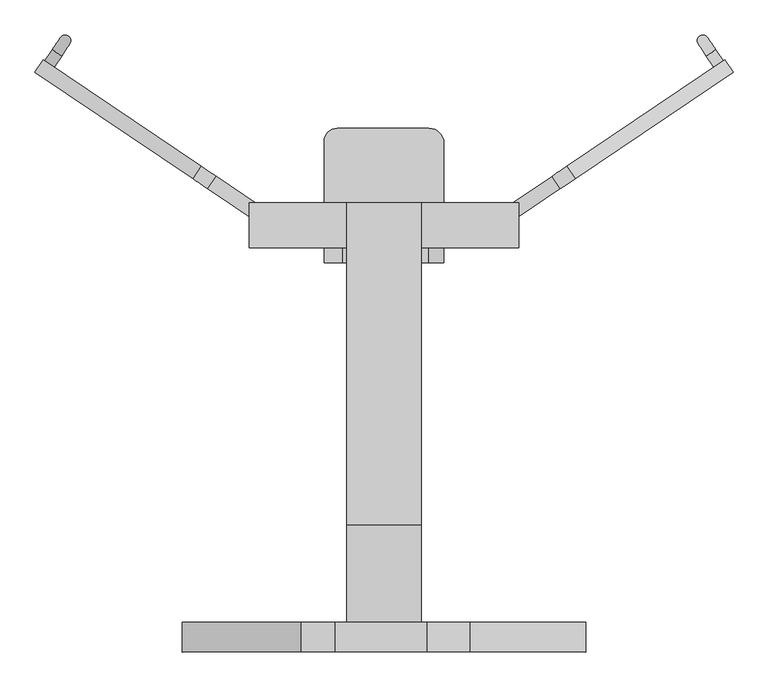
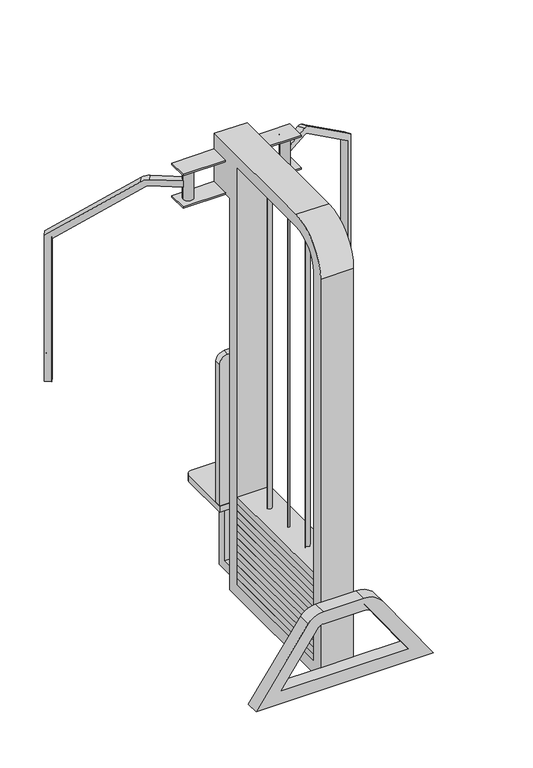
"""IFC4 building model written with IfcOpenShell, lengths in millimetres: proxy geometry."""

from ifc_helpers import new_model, si_unit, point, frame, frame_2d, origin, place, context, project, spatial, polyline, circle_curve, ellipse_curve, trimmed, segment, composite_curve, outline, extrude, source, transform, mapped, element, save
from ifc_brep_helpers import plane_surface, cylinder_surface, revolved_surface, advanced_brep


def generic_models_c7f39d1f(model_context):
    return source(origin(), model_context, "Body", "SolidModel", [
        extrude(outline(composite_curve([segment(trimmed(circle_curve(frame_2d((0.0, 19.05)), 3.9721388), [point((-3.9721388, 19.05))], [point((3.9721388, 19.05))], False, "CARTESIAN"), True, "CONTINUOUS"), segment(trimmed(circle_curve(frame_2d((0.0, 19.05)), 3.9721388), [point((3.9721388, 19.05))], [point((-3.9721388, 19.05))], False, "CARTESIAN"), True, "CONTINUOUS")], self_intersect=False)), frame((0.0, 0.0, 50.8), z_axis=(0.0, 0.0, 1.0), x_axis=(1.0, 0.0, 0.0)), (0.0, 0.0, 1.0), 1701.8),
        extrude(outline(composite_curve([segment(trimmed(circle_curve(frame_2d((0.0, -107.4102719)), 8.2729057), [point((-8.2729057, -107.4102719))], [point((8.2729057, -107.4102719))], False, "CARTESIAN"), True, "CONTINUOUS"), segment(trimmed(circle_curve(frame_2d((0.0, -107.4102719)), 8.2729057), [point((8.2729057, -107.4102719))], [point((-8.2729057, -107.4102719))], False, "CARTESIAN"), True, "CONTINUOUS")], self_intersect=False)), frame((0.0, 0.0, 50.8), z_axis=(0.0, 0.0, 1.0), x_axis=(1.0, 0.0, 0.0)), (0.0, 0.0, 1.0), 1701.8),
        extrude(outline(composite_curve([segment(trimmed(circle_curve(frame_2d((0.0, 146.5897281)), 8.2729057), [point((-8.2729057, 146.5897281))], [point((8.2729057, 146.5897281))], False, "CARTESIAN"), True, "CONTINUOUS"), segment(trimmed(circle_curve(frame_2d((0.0, 146.5897281)), 8.2729057), [point((8.2729057, 146.5897281))], [point((-8.2729057, 146.5897281))], False, "CARTESIAN"), True, "CONTINUOUS")], self_intersect=False)), frame((0.0, 0.0, 50.8), z_axis=(0.0, 0.0, 1.0), x_axis=(1.0, 0.0, 0.0)), (0.0, 0.0, 1.0), 1701.8),
        extrude(outline(polyline([(63.5, 254.0), (63.5, -254.0), (-63.5, -254.0), (-63.5, 254.0), (63.5, 254.0)])), frame((0.0, 0.0, 382.0366155), z_axis=(0.0, 0.0, 1.0), x_axis=(1.0, 0.0, 0.0)), (0.0, 0.0, 1.0), 27.6030513),
        extrude(outline(polyline([(63.5, 254.0), (63.5, -254.0), (-63.5, -254.0), (-63.5, 254.0), (63.5, 254.0)])), frame((0.0, 0.0, 354.4335642), z_axis=(0.0, 0.0, 1.0), x_axis=(1.0, 0.0, 0.0)), (0.0, 0.0, 1.0), 27.6030513),
        extrude(outline(polyline([(63.5, 254.0), (63.5, -254.0), (-63.5, -254.0), (-63.5, 254.0), (63.5, 254.0)])), frame((0.0, 0.0, 326.8305129), z_axis=(0.0, 0.0, 1.0), x_axis=(1.0, 0.0, 0.0)), (0.0, 0.0, 1.0), 27.6030513),
        extrude(outline(polyline([(63.5, 254.0), (63.5, -254.0), (-63.5, -254.0), (-63.5, 254.0), (63.5, 254.0)])), frame((0.0, 0.0, 299.2274616), z_axis=(0.0, 0.0, 1.0), x_axis=(1.0, 0.0, 0.0)), (0.0, 0.0, 1.0), 27.6030513),
        extrude(outline(polyline([(63.5, 254.0), (63.5, -254.0), (-63.5, -254.0), (-63.5, 254.0), (63.5, 254.0)])), frame((0.0, 0.0, 271.6244103), z_axis=(0.0, 0.0, 1.0), x_axis=(1.0, 0.0, 0.0)), (0.0, 0.0, 1.0), 27.6030513),
        extrude(outline(polyline([(63.5, 254.0), (63.5, -254.0), (-63.5, -254.0), (-63.5, 254.0), (63.5, 254.0)])), frame((0.0, 0.0, 244.021359), z_axis=(0.0, 0.0, 1.0), x_axis=(1.0, 0.0, 0.0)), (0.0, 0.0, 1.0), 27.6030513),
        extrude(outline(polyline([(63.5, 254.0), (63.5, -254.0), (-63.5, -254.0), (-63.5, 254.0), (63.5, 254.0)])), frame((0.0, 0.0, 216.4183077), z_axis=(0.0, 0.0, 1.0), x_axis=(1.0, 0.0, 0.0)), (0.0, 0.0, 1.0), 27.6030513),
        extrude(outline(polyline([(63.5, 254.0), (63.5, -254.0), (-63.5, -254.0), (-63.5, 254.0), (63.5, 254.0)])), frame((0.0, 0.0, 188.8152564), z_axis=(0.0, 0.0, 1.0), x_axis=(1.0, 0.0, 0.0)), (0.0, 0.0, 1.0), 27.6030513),
        extrude(outline(polyline([(63.5, 254.0), (63.5, -254.0), (-63.5, -254.0), (-63.5, 254.0), (63.5, 254.0)])), frame((0.0, 0.0, 161.2122052), z_axis=(0.0, 0.0, 1.0), x_axis=(1.0, 0.0, 0.0)), (0.0, 0.0, 1.0), 27.6030513),
        extrude(outline(polyline([(63.5, 254.0), (63.5, -254.0), (-63.5, -254.0), (-63.5, 254.0), (63.5, 254.0)])), frame((0.0, 0.0, 133.6091539), z_axis=(0.0, 0.0, 1.0), x_axis=(1.0, 0.0, 0.0)), (0.0, 0.0, 1.0), 27.6030513),
        extrude(outline(polyline([(63.5, 254.0), (63.5, -254.0), (-63.5, -254.0), (-63.5, 254.0), (63.5, 254.0)])), frame((0.0, 0.0, 106.0061026), z_axis=(0.0, 0.0, 1.0), x_axis=(1.0, 0.0, 0.0)), (0.0, 0.0, 1.0), 27.6030513),
        extrude(outline(polyline([(63.5, 254.0), (63.5, -254.0), (-63.5, -254.0), (-63.5, 254.0), (63.5, 254.0)])), frame((0.0, 0.0, 78.4030513), z_axis=(0.0, 0.0, 1.0), x_axis=(1.0, 0.0, 0.0)), (0.0, 0.0, 1.0), 27.6030513),
        extrude(outline(polyline([(63.5, 254.0), (63.5, -254.0), (-63.5, -254.0), (-63.5, 254.0), (63.5, 254.0)])), frame((0.0, 0.0, 50.8), z_axis=(0.0, 0.0, 1.0), x_axis=(1.0, 0.0, 0.0)), (0.0, 0.0, 1.0), 27.6030513),
        extrude(outline(composite_curve([segment(trimmed(circle_curve(frame_2d((-79.341553, 511.141553)), 22.258447), [point((-101.6, 511.141553))], [point((-79.341553, 533.4))], False, "CARTESIAN"), True, "CONTINUOUS"), segment(polyline([(-79.341553, 533.4), (76.2, 533.4)]), True, "CONTINUOUS"), segment(trimmed(circle_curve(frame_2d((76.2, 508.0)), 25.4), [point((76.2, 533.4))], [point((101.6, 508.0))], False, "CARTESIAN"), True, "CONTINUOUS"), segment(polyline([(101.6, 508.0), (101.6, 304.8), (-101.6, 304.8), (-101.6, 511.141553)]), True, "CONTINUOUS")], self_intersect=False)), frame((0.0, 0.0, 330.2), z_axis=(0.0, 0.0, 1.0), x_axis=(1.0, 0.0, 0.0)), (0.0, 0.0, 1.0), 25.4),
        extrude(outline(composite_curve([segment(polyline([(355.6, -101.6), (355.6, 101.6), (939.8, 101.6)]), True, "CONTINUOUS"), segment(trimmed(circle_curve(frame_2d((939.8, 76.2)), 25.4), [point((939.8, 101.6))], [point((965.2, 76.2))], False, "CARTESIAN"), True, "CONTINUOUS"), segment(polyline([(965.2, 76.2), (965.2, -69.85)]), True, "CONTINUOUS"), segment(trimmed(circle_curve(frame_2d((933.45, -69.85)), 31.75), [point((965.2, -69.85))], [point((933.45, -101.6))], False, "CARTESIAN"), True, "CONTINUOUS"), segment(polyline([(933.45, -101.6), (355.6, -101.6)]), True, "CONTINUOUS")], self_intersect=False)), frame((0.0, 304.8, 0.0), z_axis=(0.0, 1.0, 0.0), x_axis=(0.0, 0.0, 1.0)), (0.0, 0.0, 1.0), 25.4),
        advanced_brep(
        [(-63.5, 406.4, 1803.4), (63.5, 406.4, 1803.4), (63.5, 406.4, 1739.9), (228.6, 406.4, 1739.9), (228.6, 406.4, 1733.55), (63.5, 406.4, 1733.55), (63.5, 406.4, 1607.4044987), (228.6, 406.4, 1607.4044987), (228.6, 406.4, 1601.0544987), (-228.6, 406.4, 1601.0544987), (-228.6, 406.4, 1607.4044987), (-63.5, 406.4, 1607.4044987), (-63.5, 406.4, 1733.55), (-228.6, 406.4, 1733.55), (-228.6, 406.4, 1739.9), (-63.5, 406.4, 1739.9), (-63.5, -139.7, 1803.4), (63.5, -139.7, 1803.4), (63.5, -304.8, 0.0), (63.5, 304.8, 0.0), (63.5, 304.8, 1601.0544987), (63.5, 330.2, 1601.0544987), (63.5, 330.2, 1607.4044987), (63.5, 330.2, 1733.55), (63.5, 330.2, 1739.9), (63.5, -304.8, 1638.3), (63.5, -304.8, 318.0873971), (63.5, -304.8, 267.2873971), (63.5, -304.8, 50.8), (63.5, -139.7, 1752.6), (63.5, 254.0, 1752.6), (63.5, 254.0, 50.8), (63.5, -254.0, 50.8), (63.5, -254.0, 1638.3), (-63.5, 304.8, 1601.0544987), (-63.5, 330.2, 1601.0544987), (-228.6, 330.2, 1601.0544987), (228.6, 330.2, 1601.0544987), (-63.5, -304.8, 1638.3), (-63.5, 330.2, 1739.9), (-63.5, 330.2, 1733.55), (-63.5, 330.2, 1607.4044987), (-63.5, 304.8, 0.0), (-63.5, -304.8, 0.0), (-63.5, -304.8, 50.8), (-63.5, -304.8, 267.2873971), (-63.5, -304.8, 318.0873971), (-63.5, 254.0, 1752.6), (-63.5, -139.7, 1752.6), (-63.5, -254.0, 1638.3), (-63.5, -254.0, 50.8), (-63.5, 254.0, 50.8), (342.5889422, -304.8, 0.0), (342.5889422, -355.6, 0.0), (-342.5889422, -355.6, 0.0), (-342.5889422, -304.8, 0.0), (-19.05, 304.8, 0.0), (-19.05, 450.85, 0.0), (19.05, 450.85, 0.0), (19.05, 304.8, 0.0), (19.05, 304.8, 38.1), (-19.05, 304.8, 38.1), (-228.6, 330.2, 1739.9), (-228.6, 330.2, 1733.55), (-205.9119306, 368.6365618, 1733.55), (-167.8119306, 368.6365618, 1733.55), (-228.6, 330.2, 1607.4044987), (-167.8119306, 368.6365618, 1607.4044987), (-205.9119306, 368.6365618, 1607.4044987), (-205.9119306, 368.6365618, 1682.8541776), (-205.8881723, 367.6854424, 1682.8541776), (-205.8881723, 367.6854424, 1657.4541776), (-205.9119306, 368.6365618, 1657.4541776), (-189.784173, 387.4610936, 1657.4541776), (-189.784173, 387.4610936, 1682.8541776), (-99.1049869, -304.8, 259.1640282), (-83.5001405, -304.8, 267.2873971), (-83.5001405, -355.6, 267.2873971), (-99.1049869, -355.6, 259.1640282), (-140.7179108, -355.6, 288.3017112), (-83.5001405, -355.6, 318.0873971), (-83.5001405, -304.8, 318.0873971), (-140.7179108, -304.8, 288.3017112), (-245.0030502, -355.6, 50.8), (-245.0030502, -304.8, 50.8), (146.4059549, -355.6, 280.1783423), (73.5833382, -355.6, 318.0873971), (73.5833382, -355.6, 267.2873971), (104.7930311, -355.6, 251.0406593), (245.0030502, -355.6, 50.8), (245.0030502, -304.8, 50.8), (73.5833382, -304.8, 318.0873971), (146.4059549, -304.8, 280.1783423), (104.7930311, -304.8, 251.0406593), (73.5833382, -304.8, 267.2873971), (228.6, 330.2, 1739.9), (228.6, 330.2, 1733.55), (205.9119306, 368.6365618, 1733.55), (167.8119306, 368.6365618, 1733.55), (228.6, 330.2, 1607.4044987), (167.8119306, 368.6365618, 1607.4044987), (205.9119306, 368.6365618, 1607.4044987), (205.9119306, 368.6365618, 1682.8541776), (189.784173, 387.4610936, 1682.8541776), (189.784173, 387.4610936, 1657.4541776), (205.9119306, 368.6365618, 1657.4541776), (205.8881723, 367.6854424, 1657.4541776), (205.8881723, 367.6854424, 1682.8541776), (-285.0935976, 451.7481122, 1682.8541776), (-299.2970973, 430.6905579, 1682.8541776), (-324.0517371, 447.3877732, 1673.1522409), (-592.6636049, 628.5687658, 1437.7492243), (-592.6636049, 628.5687658, 840.7282511), (-571.6060506, 614.365266, 840.7282511), (-571.6060506, 614.365266, 1424.8072779), (-311.6744172, 439.0391656, 1652.6032092), (-299.2970973, 430.6905579, 1657.4541776), (-285.0935976, 451.7481122, 1657.4541776), (-297.4709175, 460.0967199, 1652.6032092), (-557.4025508, 635.4228204, 1424.8072779), (-557.4025508, 635.4228204, 840.7282511), (-578.4601052, 649.6263201, 840.7282511), (-578.4601052, 649.6263201, 1437.7492243), (-309.8482374, 468.4453276, 1673.1522409), (-560.0329482, 637.1970458, 927.9544987), (-575.8261139, 647.8496706, 927.9544987), (-547.4425077, 655.8631414, 927.9544987), (-563.2356735, 666.5157662, 927.9544987), (-533.239008, 676.9206957, 902.5544987), (-549.0321737, 687.5733205, 902.5544987), (-533.239008, 676.9206957, 807.3044987), (-549.0321737, 687.5733205, 807.3044987), (284.5370437, 451.3727119, 1682.8541776), (310.2984989, 468.7490328, 1672.7576458), (578.4601052, 649.6263201, 1437.7492243), (578.4601052, 649.6263201, 840.7282511), (557.4025508, 635.4228204, 840.7282511), (557.4025508, 635.4228204, 1424.8072779), (297.921179, 460.4004251, 1652.2086141), (284.5370437, 451.3727119, 1657.4541776), (560.0329482, 637.1970458, 927.9544987), (575.8261139, 647.8496706, 927.9544987), (298.7405435, 430.3151575, 1657.4541776), (312.1246788, 439.3428708, 1652.2086141), (571.6060506, 614.365266, 1424.8072779), (571.6060506, 614.365266, 840.7282511), (592.6636049, 628.5687658, 840.7282511), (592.6636049, 628.5687658, 1437.7492243), (324.5019987, 447.6914785, 1672.7576458), (298.7405435, 430.3151575, 1682.8541776), (547.4425077, 655.8631414, 927.9544987), (563.2356735, 666.5157662, 927.9544987), (533.239008, 676.9206957, 902.5544987), (549.0321737, 687.5733205, 902.5544987), (533.239008, 676.9206957, 807.3044987), (549.0321737, 687.5733205, 807.3044987), (-19.05, 412.75, 38.1), (-19.05, 412.75, 330.2), (-19.05, 450.85, 330.2), (19.05, 450.85, 330.2), (19.05, 412.75, 330.2), (19.05, 412.75, 38.1)],
        [
            (0, 1),
            (1, 2),
            (2, 3),
            (3, 4),
            (4, 5),
            (5, 6),
            (6, 7),
            (7, 8),
            (8, 9),
            (9, 10),
            (10, 11),
            (11, 12),
            (12, 13),
            (13, 14),
            (14, 15),
            (15, 0),
            (0, 16),
            (16, 17),
            (17, 1),
            (18, 19),
            (19, 20),
            (20, 21),
            (21, 22),
            (22, 6),
            (5, 23),
            (23, 24),
            (24, 2),
            (17, 25, circle_curve(frame((63.5, -139.7, 1638.3), z_axis=(1.0, 0.0, 0.0), x_axis=(0.0, 0.0, 1.0)), 165.1)),
            (25, 26),
            (26, 27),
            (27, 28),
            (28, 18),
            (29, 30),
            (30, 31),
            (31, 32),
            (32, 33),
            (33, 29, circle_curve(frame((63.5, -139.7, 1638.3), z_axis=(-1.0, 0.0, 0.0), x_axis=(0.0, 0.0, 1.0)), 114.3)),
            (20, 34),
            (34, 35),
            (35, 36),
            (36, 9),
            (8, 37),
            (37, 21),
            (38, 16, circle_curve(frame((-63.5, -139.7, 1638.3), z_axis=(-1.0, 0.0, 0.0), x_axis=(0.0, 0.0, 1.0)), 165.1)),
            (15, 39),
            (39, 40),
            (40, 12),
            (11, 41),
            (41, 35),
            (34, 42),
            (42, 43),
            (43, 44),
            (44, 45),
            (45, 46),
            (46, 38),
            (47, 48),
            (48, 49, circle_curve(frame((-63.5, -139.7, 1638.3), z_axis=(1.0, 0.0, 0.0), x_axis=(0.0, 0.0, 1.0)), 114.3)),
            (49, 50),
            (50, 51),
            (51, 47),
            (47, 30),
            (29, 48),
            (33, 49),
            (38, 25),
            (32, 50),
            (27, 45),
            (44, 28),
            (46, 26),
            (31, 51),
            (18, 52),
            (52, 53),
            (53, 54),
            (54, 55),
            (55, 43),
            (42, 56),
            (56, 57),
            (57, 58),
            (58, 59),
            (59, 19),
            (59, 60),
            (60, 61),
            (61, 56),
            (14, 62),
            (62, 39),
            (40, 63),
            (63, 13),
            (64, 65, circle_curve(frame((-186.8619306, 368.6365618, 1733.55), z_axis=(0.0, 0.0, 1.0), x_axis=(1.0, 0.0, 0.0)), 19.05)),
            (65, 64, circle_curve(frame((-186.8619306, 368.6365618, 1733.55), z_axis=(0.0, 0.0, 1.0), x_axis=(1.0, 0.0, 0.0)), 19.05)),
            (63, 62),
            (10, 66),
            (66, 41),
            (67, 68, circle_curve(frame((-186.8619306, 368.6365618, 1607.4044987), z_axis=(0.0, 0.0, -1.0), x_axis=(1.0, 0.0, 0.0)), 19.05)),
            (68, 67, circle_curve(frame((-186.8619306, 368.6365618, 1607.4044987), z_axis=(0.0, 0.0, -1.0), x_axis=(1.0, 0.0, 0.0)), 19.05)),
            (36, 66),
            (67, 65),
            (64, 69),
            (69, 70, circle_curve(frame((-186.8619306, 368.6365618, 1682.8541776), z_axis=(0.0, 0.0, 1.0), x_axis=(1.0, 0.0, 0.0)), 19.05)),
            (70, 71),
            (71, 72, circle_curve(frame((-186.8619306, 368.6365618, 1657.4541776), z_axis=(0.0, 0.0, -1.0), x_axis=(1.0, 0.0, 0.0)), 19.05)),
            (72, 68),
            (72, 73, circle_curve(frame((-186.8619306, 368.6365618, 1657.4541776), z_axis=(0.0, 0.0, -1.0), x_axis=(1.0, 0.0, 0.0)), 19.05)),
            (73, 74),
            (74, 69, circle_curve(frame((-186.8619306, 368.6365618, 1682.8541776), z_axis=(0.0, 0.0, 1.0), x_axis=(1.0, 0.0, 0.0)), 19.05)),
            (75, 76, circle_curve(frame((-83.5001405, -304.8, 248.2373971), z_axis=(0.0, 1.0, 0.0), x_axis=(0.0, 0.0, 1.0)), 19.05)),
            (76, 77),
            (77, 78, circle_curve(frame((-83.5001405, -355.6, 248.2373971), z_axis=(0.0, -1.0, 0.0), x_axis=(0.0, 0.0, 1.0)), 19.05)),
            (78, 75),
            (79, 80, circle_curve(frame((-83.5001405, -355.6, 248.2373971), z_axis=(0.0, 1.0, 0.0), x_axis=(0.0, 0.0, 1.0)), 69.85)),
            (80, 81),
            (81, 82, circle_curve(frame((-83.5001405, -304.8, 248.2373971), z_axis=(0.0, -1.0, 0.0), x_axis=(0.0, 0.0, 1.0)), 69.85)),
            (82, 79),
            (78, 83),
            (83, 84),
            (84, 75),
            (82, 55),
            (54, 79),
            (53, 85),
            (85, 86, circle_curve(frame((73.5833382, -355.6, 229.1873971), z_axis=(0.0, -1.0, 0.0), x_axis=(0.8191520442890029, 0.0, 0.5735764363510303)), 88.9)),
            (86, 80),
            (77, 87),
            (87, 88, circle_curve(frame((73.5833382, -355.6, 229.1873971), z_axis=(0.0, 1.0, 0.0), x_axis=(0.8191520442890029, 0.0, 0.5735764363510303)), 38.1)),
            (88, 89),
            (89, 83),
            (89, 90),
            (90, 28),
            (44, 84),
            (81, 46),
            (45, 76),
            (91, 92, circle_curve(frame((73.5833382, -304.8, 229.1873971), z_axis=(0.0, 1.0, 0.0), x_axis=(0.8191520442890029, 0.0, 0.5735764363510303)), 88.9)),
            (92, 52),
            (90, 93),
            (93, 94, circle_curve(frame((73.5833382, -304.8, 229.1873971), z_axis=(0.0, -1.0, 0.0), x_axis=(0.8191520442890029, 0.0, 0.5735764363510303)), 38.1)),
            (94, 27),
            (26, 91),
            (88, 93),
            (92, 85),
            (87, 94),
            (91, 86),
            (24, 95),
            (95, 3),
            (4, 96),
            (96, 23),
            (97, 98, circle_curve(frame((186.8619306, 368.6365618, 1733.55), z_axis=(0.0, 0.0, 1.0), x_axis=(-1.0, 0.0, 0.0)), 19.05)),
            (98, 97, circle_curve(frame((186.8619306, 368.6365618, 1733.55), z_axis=(0.0, 0.0, 1.0), x_axis=(-1.0, 0.0, 0.0)), 19.05)),
            (96, 95),
            (22, 99),
            (99, 7),
            (100, 101, circle_curve(frame((186.8619306, 368.6365618, 1607.4044987), z_axis=(0.0, 0.0, -1.0), x_axis=(-1.0, 0.0, 0.0)), 19.05)),
            (101, 100, circle_curve(frame((186.8619306, 368.6365618, 1607.4044987), z_axis=(0.0, 0.0, -1.0), x_axis=(-1.0, 0.0, 0.0)), 19.05)),
            (37, 99),
            (100, 98),
            (97, 102),
            (102, 103, circle_curve(frame((186.8619306, 368.6365618, 1682.8541776), z_axis=(0.0, 0.0, 1.0), x_axis=(-1.0, 0.0, 0.0)), 19.05)),
            (103, 104),
            (104, 105, circle_curve(frame((186.8619306, 368.6365618, 1657.4541776), z_axis=(0.0, 0.0, -1.0), x_axis=(-1.0, 0.0, 0.0)), 19.05)),
            (105, 101),
            (105, 106, circle_curve(frame((186.8619306, 368.6365618, 1657.4541776), z_axis=(0.0, 0.0, -1.0), x_axis=(-1.0, 0.0, 0.0)), 19.05)),
            (106, 107),
            (107, 102, circle_curve(frame((186.8619306, 368.6365618, 1682.8541776), z_axis=(0.0, 0.0, 1.0), x_axis=(-1.0, 0.0, 0.0)), 19.05)),
            (108, 109),
            (109, 70),
            (74, 108),
            (109, 110, circle_curve(frame((-299.2970973, 430.6905579, 1632.0541776), z_axis=(-0.5591929034707595, -0.8290375725550334, 0.0), x_axis=(0.0, 0.0, 1.0)), 50.8)),
            (110, 111),
            (111, 112),
            (112, 113),
            (113, 114),
            (114, 115),
            (115, 116, circle_curve(frame((-299.2970973, 430.6905579, 1632.0541776), z_axis=(0.5591929034707595, 0.8290375725550334, 0.0), x_axis=(0.0, 0.0, 1.0)), 25.4)),
            (116, 71),
            (116, 117),
            (117, 73),
            (117, 118, circle_curve(frame((-285.0935976, 451.7481122, 1632.0541776), z_axis=(-0.5591929034707595, -0.8290375725550334, 0.0), x_axis=(0.0, 0.0, 1.0)), 25.4)),
            (118, 119),
            (119, 120),
            (120, 121),
            (121, 122),
            (122, 123),
            (123, 108, circle_curve(frame((-285.0935976, 451.7481122, 1632.0541776), z_axis=(0.5591929034707595, 0.8290375725550334, 0.0), x_axis=(0.0, 0.0, 1.0)), 50.8)),
            (124, 125, circle_curve(frame((-567.929531, 642.5233582, 927.9544987), z_axis=(-0.5591929034707567, -0.8290375725550352, 0.0), x_axis=(-0.8290375725550352, 0.5591929034707567, 0.0)), 9.525)),
            (125, 124, circle_curve(frame((-567.929531, 642.5233582, 927.9544987), z_axis=(-0.5591929034707567, -0.8290375725550352, 0.0), x_axis=(-0.8290375725550352, 0.5591929034707567, 0.0)), 9.525)),
            (123, 110),
            (115, 118),
            (122, 111),
            (114, 119),
            (112, 121),
            (120, 113),
            (124, 126),
            (126, 127, circle_curve(frame((-555.3390906, 661.1894538, 927.9544987), z_axis=(-0.5591929034707567, -0.8290375725550352, 0.0), x_axis=(-0.8290375725550352, 0.5591929034707567, 0.0)), 9.525)),
            (127, 125),
            (127, 126, circle_curve(frame((-555.3390906, 661.1894538, 927.9544987), z_axis=(-0.5591929034707567, -0.8290375725550352, 0.0), x_axis=(-0.8290375725550352, 0.5591929034707567, 0.0)), 9.525)),
            (126, 128, circle_curve(frame((-547.4425077, 655.8631414, 902.5544987), z_axis=(-0.8290375725550352, 0.5591929034707567, 0.0), x_axis=(0.0, 0.0, 0.9999999999999999)), 25.4)),
            (128, 129, circle_curve(frame((-541.1355909, 682.2470081, 902.5544987), z_axis=(0.0, 0.0, 0.9999999999999999), x_axis=(-0.8290375725550406, 0.5591929034707479, 0.0)), 9.525)),
            (129, 127, circle_curve(frame((-563.2356735, 666.5157662, 902.5544987), z_axis=(0.8290375725550352, -0.5591929034707567, 0.0), x_axis=(0.0, 0.0, 0.9999999999999999)), 25.4)),
            (129, 128, circle_curve(frame((-541.1355909, 682.2470081, 902.5544987), z_axis=(0.0, 0.0, 0.9999999999999999), x_axis=(-0.8290375725550406, 0.5591929034707479, 0.0)), 9.525)),
            (130, 131, circle_curve(frame((-541.1355909, 682.2470081, 807.3044987), z_axis=(0.0, 0.0, -1.0), x_axis=(-0.8290375725550408, 0.5591929034707481, 0.0)), 9.525)),
            (131, 130, circle_curve(frame((-541.1355909, 682.2470081, 807.3044987), z_axis=(0.0, 0.0, -1.0), x_axis=(-0.8290375725550408, 0.5591929034707481, 0.0)), 9.525)),
            (128, 130),
            (131, 129),
            (132, 133, circle_curve(frame((284.5370437, 451.3727119, 1629.9880508), z_axis=(-0.5591929034707595, 0.8290375725550334, 0.0), x_axis=(0.0, 0.0, 1.0)), 52.8661268)),
            (133, 134),
            (134, 135),
            (135, 136),
            (136, 137),
            (137, 138),
            (138, 139, circle_curve(frame((284.5370437, 451.3727119, 1629.9880508), z_axis=(0.5591929034707595, -0.8290375725550334, 0.0), x_axis=(0.0, 0.0, 1.0)), 27.4661268)),
            (139, 104),
            (103, 132),
            (140, 141, circle_curve(frame((567.929531, 642.5233582, 927.9544987), z_axis=(0.5591929034707567, -0.8290375725550352, 0.0), x_axis=(0.8290375725550352, 0.5591929034707567, 0.0)), 9.525)),
            (141, 140, circle_curve(frame((567.929531, 642.5233582, 927.9544987), z_axis=(0.5591929034707567, -0.8290375725550352, 0.0), x_axis=(0.8290375725550352, 0.5591929034707567, 0.0)), 9.525)),
            (139, 142),
            (142, 106),
            (142, 143, circle_curve(frame((298.7405435, 430.3151575, 1629.9880508), z_axis=(-0.5591929034707595, 0.8290375725550334, 0.0), x_axis=(0.0, 0.0, 1.0)), 27.4661268)),
            (143, 144),
            (144, 145),
            (145, 146),
            (146, 147),
            (147, 148),
            (148, 149, circle_curve(frame((298.7405435, 430.3151575, 1629.9880508), z_axis=(0.5591929034707595, -0.8290375725550334, 0.0), x_axis=(0.0, 0.0, 1.0)), 52.8661268)),
            (149, 107),
            (149, 132),
            (138, 143),
            (148, 133),
            (137, 144),
            (147, 134),
            (135, 146),
            (145, 136),
            (140, 150),
            (150, 151, circle_curve(frame((555.3390906, 661.1894538, 927.9544987), z_axis=(0.5591929034707567, -0.8290375725550352, 0.0), x_axis=(0.8290375725550352, 0.5591929034707567, 0.0)), 9.525)),
            (151, 141),
            (151, 150, circle_curve(frame((555.3390906, 661.1894538, 927.9544987), z_axis=(0.5591929034707567, -0.8290375725550352, 0.0), x_axis=(0.8290375725550352, 0.5591929034707567, 0.0)), 9.525)),
            (150, 152, circle_curve(frame((547.4425077, 655.8631414, 902.5544987), z_axis=(-0.8290375725550352, -0.5591929034707567, 0.0), x_axis=(0.0, 0.0, 0.9999999999999999)), 25.4)),
            (152, 153, circle_curve(frame((541.1355909, 682.2470081, 902.5544987), z_axis=(0.0, 0.0, 0.9999999999999999), x_axis=(0.8290375725550406, 0.5591929034707479, 0.0)), 9.525)),
            (153, 151, circle_curve(frame((563.2356735, 666.5157662, 902.5544987), z_axis=(0.8290375725550352, 0.5591929034707567, 0.0), x_axis=(0.0, 0.0, 0.9999999999999999)), 25.4)),
            (153, 152, circle_curve(frame((541.1355909, 682.2470081, 902.5544987), z_axis=(0.0, 0.0, 0.9999999999999999), x_axis=(0.8290375725550406, 0.5591929034707479, 0.0)), 9.525)),
            (154, 155, circle_curve(frame((541.1355909, 682.2470081, 807.3044987), z_axis=(0.0, 0.0, -1.0), x_axis=(0.8290375725550408, 0.5591929034707481, 0.0)), 9.525)),
            (155, 154, circle_curve(frame((541.1355909, 682.2470081, 807.3044987), z_axis=(0.0, 0.0, -1.0), x_axis=(0.8290375725550408, 0.5591929034707481, 0.0)), 9.525)),
            (152, 154),
            (155, 153),
            (61, 156),
            (156, 157),
            (157, 158),
            (158, 57),
            (58, 159),
            (159, 160),
            (160, 161),
            (161, 60),
            (161, 156),
            (157, 160),
            (159, 158),
        ],
        [
            plane_surface(frame((63.5, 406.4, 1803.4), z_axis=(0.0, 1.0, 0.0), x_axis=(1.0, 0.0, 0.0))),
            plane_surface(frame((-63.5, 406.4, 1803.4), z_axis=(0.0, 0.0, 1.0), x_axis=(0.0, -1.0, 0.0))),
            plane_surface(frame((63.5, 406.4, 1803.4), z_axis=(1.0, 0.0, 0.0), x_axis=(0.0, -1.0, 0.0))),
            plane_surface(frame((63.5, 406.4, 1601.0544987), z_axis=(0.0, 0.0, -1.0), x_axis=(0.0, -1.0, 0.0))),
            plane_surface(frame((-63.5, 406.4, 1601.0544987), z_axis=(-1.0, 0.0, 0.0), x_axis=(0.0, -1.0, 0.0))),
            plane_surface(frame((63.5, 254.0, 1752.6), z_axis=(0.0, 0.0, -1.0), x_axis=(0.0, -1.0, 0.0))),
            revolved_surface(polyline([(63.5, -139.7, 1752.6), (-63.5, -139.7, 1752.6)]), (0.0, -139.7, 1638.3), (1.0, 0.0, 0.0)),
            cylinder_surface(frame((0.0, -139.7, 1638.3), z_axis=(1.0, 0.0, 0.0), x_axis=(0.0, 0.0, 1.0)), 165.1),
            plane_surface(frame((63.5, -254.0, 1638.3), z_axis=(0.0, 1.0, 0.0), x_axis=(0.0, 0.0, -1.0))),
            plane_surface(frame((-63.5, -304.8, 1638.3), z_axis=(0.0, -1.0, 0.0), x_axis=(0.0, 0.0, -1.0))),
            plane_surface(frame((63.5, -254.0, 50.8), z_axis=(0.0, 0.0, 1.0), x_axis=(0.0, 1.0, 0.0))),
            plane_surface(frame((-63.5, -304.8, 0.0), z_axis=(0.0, 0.0, -1.0), x_axis=(0.0, 1.0, 0.0))),
            plane_surface(frame((63.5, 254.0, 50.8), z_axis=(0.0, -1.0, 0.0), x_axis=(0.0, 0.0, 1.0))),
            plane_surface(frame((-63.5, 304.8, 0.0), z_axis=(0.0, 1.0, 0.0), x_axis=(0.0, 0.0, 1.0))),
            plane_surface(frame((-228.6, 406.4, 1739.9), z_axis=(0.0, 0.0, 1.0), x_axis=(0.0, -1.0, 0.0))),
            plane_surface(frame((-228.6, 406.4, 1733.55), z_axis=(0.0, 0.0, -1.0), x_axis=(0.0, 1.0, 0.0))),
            plane_surface(frame((-228.6, 406.4, 1739.9), z_axis=(-1.0, 0.0, 0.0), x_axis=(0.0, 0.0, -1.0))),
            plane_surface(frame((-228.6, 330.2, 1739.9), z_axis=(0.0, -1.0, 0.0), x_axis=(0.0, 0.0, -1.0))),
            plane_surface(frame((-228.6, 406.4, 1607.4044987), z_axis=(0.0, 0.0, 1.0), x_axis=(0.0, -1.0, 0.0))),
            plane_surface(frame((-228.6, 406.4, 1607.4044987), z_axis=(-1.0, 0.0, 0.0), x_axis=(0.0, 0.0, -1.0))),
            plane_surface(frame((-228.6, 330.2, 1607.4044987), z_axis=(0.0, -1.0, 0.0), x_axis=(0.0, 0.0, -1.0))),
            cylinder_surface(frame((-186.8619306, 368.6365618, 1607.4044987), z_axis=(0.0, 0.0, 1.0), x_axis=(1.0, 0.0, 0.0)), 19.05),
            revolved_surface(polyline([(-83.5001405, -355.6, 267.2873971), (-83.5001405, -304.8, 267.2873971)]), (-83.5001405, -323.85, 248.2373971), (0.0, -1.0, 0.0)),
            cylinder_surface(frame((-83.5001405, -323.85, 248.2373971), z_axis=(0.0, -1.0, 0.0), x_axis=(0.0, 0.0, 1.0)), 69.85),
            plane_surface(frame((-99.1049869, -355.6, 259.1640282), z_axis=(0.8191520442889912, 0.0, -0.5735764363510469), x_axis=(-0.5735764363510469, 0.0, -0.8191520442889912))),
            plane_surface(frame((-140.7179108, -304.8, 288.3017112), z_axis=(-0.8191520442889911, 0.0, 0.5735764363510469), x_axis=(-0.5735764363510469, 0.0, -0.8191520442889911))),
            plane_surface(frame((-342.5889422, -355.6, 0.0), z_axis=(0.0, -1.0, 0.0), x_axis=(1.0, 0.0, 0.0))),
            plane_surface(frame((-245.0030502, -355.6, 50.8), z_axis=(0.0, 0.0, 1.0), x_axis=(1.0, 0.0, 0.0))),
            plane_surface(frame((-245.0030502, -304.8, 50.8), z_axis=(0.0, 1.0, 0.0), x_axis=(1.0, 0.0, 0.0))),
            plane_surface(frame((245.0030502, -355.6, 50.8), z_axis=(-0.819152044289003, 0.0, -0.5735764363510301), x_axis=(-0.5735764363510301, 0.0, 0.819152044289003))),
            plane_surface(frame((342.5889422, -304.8, 0.0), z_axis=(0.819152044289003, 0.0, 0.5735764363510301), x_axis=(-0.5735764363510301, 0.0, 0.819152044289003))),
            revolved_surface(polyline([(104.79303108741101, -355.6, 251.04065932497426), (104.79303108741101, -304.8, 251.04065932497426)]), (73.5833382, -323.85, 229.1873971), (0.0, -1.0, 0.0)),
            cylinder_surface(frame((73.5833382, -323.85, 229.1873971), z_axis=(0.0, -1.0, 0.0), x_axis=(0.8191520442890029, 0.0, 0.5735764363510303)), 88.9),
            plane_surface(frame((73.5833382, -355.6, 267.2873971), z_axis=(0.0, 0.0, -1.0), x_axis=(-1.0, 0.0, 0.0))),
            plane_surface(frame((73.5833382, -304.8, 318.0873971), z_axis=(0.0, 0.0, 1.0), x_axis=(-1.0, 0.0, 0.0))),
            plane_surface(frame((57.15, 406.4, 1739.9), z_axis=(0.0, 0.0, 1.0), x_axis=(-1.0, 0.0, 0.0))),
            plane_surface(frame((57.15, 406.4, 1733.55), z_axis=(0.0, 0.0, -1.0), x_axis=(1.0, 0.0, 0.0))),
            plane_surface(frame((63.5, 330.2, 1739.9), z_axis=(0.0, -1.0, 0.0), x_axis=(0.0, 0.0, -1.0))),
            plane_surface(frame((228.6, 330.2, 1739.9), z_axis=(1.0, 0.0, 0.0), x_axis=(0.0, 0.0, -1.0))),
            plane_surface(frame((57.15, 406.4, 1607.4044987), z_axis=(0.0, 0.0, 1.0), x_axis=(-1.0, 0.0, 0.0))),
            plane_surface(frame((63.5, 330.2, 1607.4044987), z_axis=(0.0, -1.0, 0.0), x_axis=(0.0, 0.0, -1.0))),
            plane_surface(frame((228.6, 330.2, 1607.4044987), z_axis=(1.0, 0.0, 0.0), x_axis=(0.0, 0.0, -1.0))),
            cylinder_surface(frame((186.8619306, 368.6365618, 1607.4044987), z_axis=(0.0, 0.0, 1.0), x_axis=(-1.0, 0.0, 0.0)), 19.05),
            plane_surface(frame((-169.0112928, 373.449609, 1682.8541776), z_axis=(0.0, 0.0, 1.0000000000000002), x_axis=(-0.8290375725550351, 0.5591929034707568, 0.0))),
            plane_surface(frame((-183.2147925, 352.3920546, 1682.8541776), z_axis=(-0.5591929034707568, -0.829037572555035, 0.0), x_axis=(-0.829037572555035, 0.5591929034707568, 0.0))),
            plane_surface(frame((-183.2147925, 352.3920546, 1657.4541776), z_axis=(0.0, 0.0, -1.0), x_axis=(-0.829037572555035, 0.5591929034707568, 0.0))),
            plane_surface(frame((-169.0112928, 373.449609, 1657.4541776), z_axis=(0.5591929034707568, 0.8290375725550351, 0.0), x_axis=(-0.8290375725550351, 0.5591929034707568, 0.0))),
            cylinder_surface(frame((-292.1953475, 441.219335, 1632.0541776), z_axis=(-0.5591929034707593, -0.8290375725550332, 0.0), x_axis=(0.0, 0.0, 1.0)), 50.8),
            revolved_surface(polyline([(-299.2970973177914, 430.69055791200043, 1657.4541776), (-285.09359759912496, 451.74811221117625, 1657.4541776)]), (-292.1953475, 441.219335, 1632.0541776), (-0.5591929034707593, -0.8290375725550332, 0.0)),
            plane_surface(frame((-309.8482374, 468.4453276, 1673.1522409), z_axis=(-0.4872960587442014, 0.3286853418467217, 0.8090169943749462), x_axis=(-0.6707054851723749, 0.45239656204171236, -0.587785252292475))),
            plane_surface(frame((-311.6744172, 439.0391656, 1652.6032092), z_axis=(0.48729605874420184, -0.3286853418467219, -0.8090169943749458), x_axis=(-0.6707054851723745, 0.4523965620417122, -0.5877852522924755))),
            plane_surface(frame((-575.0330779, 631.9957931, 840.7282511), z_axis=(0.0, 0.0, -1.0), x_axis=(0.5591929034707595, 0.8290375725550333, 0.0))),
            plane_surface(frame((-578.4601052, 649.6263201, 1437.7492243), z_axis=(-0.8290375725550342, 0.5591929034707581, 0.0), x_axis=(0.0, 0.0, -1.0))),
            plane_surface(frame((-571.6060506, 614.365266, 1424.8072779), z_axis=(0.8290375725550342, -0.5591929034707581, 0.0), x_axis=(0.0, 0.0, -1.0))),
            cylinder_surface(frame((-567.929531, 642.5233582, 927.9544987), z_axis=(-0.5591929034707567, -0.8290375725550352, 0.0), x_axis=(-0.8290375725550352, 0.5591929034707567, 0.0)), 9.525),
            revolved_surface(trimmed(ellipse_curve(frame((-555.3390906, 661.1894538, 927.9544987), z_axis=(-0.5591929034707566, -0.8290375725550346, 0.0), x_axis=(-0.8290375725550347, 0.5591929034707567, 0.0)), 9.525, 9.525), [point((-547.4425077, 655.8631414, 927.9544987))], [point((-563.2356735, 666.5157662, 927.9544987))], True, "CARTESIAN"), (-555.3390906, 661.1894538, 902.5544987), (-0.8290375725550349, 0.5591929034707565, 0.0)),
            revolved_surface(trimmed(ellipse_curve(frame((-555.3390906, 661.1894538, 927.9544987), z_axis=(-0.5591929034707566, -0.8290375725550346, 0.0), x_axis=(-0.8290375725550347, 0.5591929034707567, 0.0)), 9.525, 9.525), [point((-563.2356735, 666.5157662, 927.9544987))], [point((-547.4425077, 655.8631414, 927.9544987))], True, "CARTESIAN"), (-555.3390906, 661.1894538, 902.5544987), (-0.8290375725550349, 0.5591929034707565, 0.0)),
            plane_surface(frame((-541.1355909, 682.2470081, 807.3044987), z_axis=(0.0, 0.0, -1.0), x_axis=(0.8290375725550351, -0.5591929034707568, 0.0))),
            cylinder_surface(frame((-541.1355909, 682.2470081, 902.5544987), z_axis=(0.0, 0.0, 1.0), x_axis=(-0.8290375725550408, 0.5591929034707481, 0.0)), 9.525),
            plane_surface(frame((169.0112928, 373.449609, 1682.8541776), z_axis=(-0.5591929034707565, 0.8290375725550352, 0.0), x_axis=(0.8290375725550352, 0.5591929034707565, 0.0))),
            plane_surface(frame((169.0112928, 373.449609, 1657.4541776), z_axis=(0.0, 0.0, -1.0), x_axis=(0.8290375725550352, 0.5591929034707565, 0.0))),
            plane_surface(frame((183.2147925, 352.3920546, 1657.4541776), z_axis=(0.5591929034707565, -0.8290375725550352, 0.0), x_axis=(0.8290375725550352, 0.5591929034707565, 0.0))),
            plane_surface(frame((183.2147925, 352.3920546, 1682.8541776), z_axis=(0.0, 0.0, 1.0), x_axis=(0.8290375725550352, 0.5591929034707565, 0.0))),
            revolved_surface(polyline([(284.5370437045798, 451.3727119030891, 1657.4541776), (298.7405434954202, 430.3151574969109, 1657.4541776)]), (291.6387936, 440.8439347, 1629.9880508), (-0.5591929034707593, 0.8290375725550332, 0.0)),
            cylinder_surface(frame((291.6387936, 440.8439347, 1629.9880508), z_axis=(-0.5591929034707593, 0.8290375725550332, 0.0), x_axis=(0.0, 0.0, 1.0)), 52.8661268),
            plane_surface(frame((297.921179, 460.4004251, 1652.2086141), z_axis=(-0.48729605874420207, -0.32868534184672205, -0.8090169943749457), x_axis=(0.6707054851723743, 0.4523965620417122, -0.5877852522924757))),
            plane_surface(frame((324.5019987, 447.6914785, 1672.7576458), z_axis=(0.4872960587442019, 0.328685341846722, 0.8090169943749459), x_axis=(0.6707054851723745, 0.4523965620417122, -0.5877852522924756))),
            plane_surface(frame((575.0330779, 631.9957931, 840.7282511), z_axis=(0.0, 0.0, -1.0), x_axis=(-0.5591929034707593, 0.8290375725550333, 0.0))),
            plane_surface(frame((557.4025508, 635.4228204, 1424.8072779), z_axis=(-0.8290375725550342, -0.559192903470758, 0.0), x_axis=(0.0, 0.0, -1.0))),
            plane_surface(frame((592.6636049, 628.5687658, 1437.7492243), z_axis=(0.8290375725550342, 0.5591929034707581, 0.0), x_axis=(0.0, 0.0, -1.0))),
            cylinder_surface(frame((567.929531, 642.5233582, 927.9544987), z_axis=(0.5591929034707567, -0.8290375725550352, 0.0), x_axis=(0.8290375725550352, 0.5591929034707567, 0.0)), 9.525),
            revolved_surface(trimmed(ellipse_curve(frame((555.3390906, 661.1894538, 927.9544987), z_axis=(0.5591929034707566, -0.8290375725550346, 0.0), x_axis=(0.8290375725550347, 0.5591929034707567, 0.0)), 9.525, 9.525), [point((547.4425077, 655.8631414, 927.9544987))], [point((563.2356735, 666.5157662, 927.9544987))], True, "CARTESIAN"), (555.3390906, 661.1894538, 902.5544987), (-0.8290375725550349, -0.5591929034707565, 0.0)),
            revolved_surface(trimmed(ellipse_curve(frame((555.3390906, 661.1894538, 927.9544987), z_axis=(0.5591929034707566, -0.8290375725550346, 0.0), x_axis=(0.8290375725550347, 0.5591929034707567, 0.0)), 9.525, 9.525), [point((563.2356735, 666.5157662, 927.9544987))], [point((547.4425077, 655.8631414, 927.9544987))], True, "CARTESIAN"), (555.3390906, 661.1894538, 902.5544987), (-0.8290375725550349, -0.5591929034707565, 0.0)),
            plane_surface(frame((541.1355909, 682.2470081, 807.3044987), z_axis=(0.0, 0.0, -1.0), x_axis=(-0.8290375725550351, -0.5591929034707568, 0.0))),
            cylinder_surface(frame((541.1355909, 682.2470081, 902.5544987), z_axis=(0.0, 0.0, 1.0), x_axis=(0.8290375725550408, 0.5591929034707481, 0.0)), 9.525),
            plane_surface(frame((-19.05, 304.8, 38.1), z_axis=(-1.0, 0.0, 0.0), x_axis=(0.0, 1.0, 0.0))),
            plane_surface(frame((19.05, 304.8, 0.0), z_axis=(1.0, 0.0, 0.0), x_axis=(0.0, 1.0, 0.0))),
            plane_surface(frame((19.05, 304.8, 38.1), z_axis=(0.0, 0.0, 1.0), x_axis=(0.0, 1.0, 0.0))),
            plane_surface(frame((0.0, 450.85, 330.2), z_axis=(0.0, 0.0, 1.0), x_axis=(1.0, 0.0, 0.0))),
            plane_surface(frame((-19.05, 450.85, 0.0), z_axis=(0.0, 1.0, 0.0), x_axis=(0.0, 0.0, 1.0))),
            plane_surface(frame((19.05, 412.75, 38.1), z_axis=(0.0, -1.0, 0.0), x_axis=(0.0, 0.0, 1.0))),
        ],
        [
            (0, [[1, 2, 3, 4, 5, 6, 7, 8, 9, 10, 11, 12, 13, 14, 15, 16]]),
            (1, [[-1, 17, 18, 19]]),
            (2, [[20, 21, 22, 23, 24, -6, 25, 26, 27, -2, -19, 28, 29, 30, 31, 32], [33, 34, 35, 36, 37]]),
            (3, [[38, 39, 40, 41, -9, 42, 43, -22]]),
            (4, [[44, -17, -16, 45, 46, 47, -12, 48, 49, -39, 50, 51, 52, 53, 54, 55], [56, 57, 58, 59, 60]]),
            (5, [[61, -33, 62, -56]]),
            (6, [[-62, -37, 63, -57]]),
            (7, [[-18, -44, 64, -28]]),
            (8, [[-36, 65, -58, -63]]),
            (9, [[-31, 66, -53, 67]]),
            (9, [[-64, -55, 68, -29]]),
            (10, [[-35, 69, -59, -65]]),
            (11, [[-20, 70, 71, 72, 73, 74, -51, 75, 76, 77, 78, 79]]),
            (12, [[-61, -60, -69, -34]]),
            (13, [[-50, -38, -21, -79, 80, 81, 82, -75]]),
            (14, [[83, 84, -45, -15]]),
            (15, [[-13, -47, 85, 86], [87, 88]]),
            (16, [[-83, -14, -86, 89]]),
            (17, [[-84, -89, -85, -46]]),
            (18, [[90, 91, -48, -11], [92, 93]]),
            (19, [[-90, -10, -41, 94]]),
            (20, [[-91, -94, -40, -49]]),
            (21, [[95, -87, 96, 97, 98, 99, 100, -92]]),
            (21, [[-95, -93, -100, 101, 102, 103, -96, -88]]),
            (22, [[104, 105, 106, 107]]),
            (23, [[108, 109, 110, 111]]),
            (24, [[-107, 112, 113, 114]]),
            (25, [[-111, 115, -73, 116]]),
            (26, [[-108, -116, -72, 117, 118, 119], [-106, 120, 121, 122, 123, -112]]),
            (27, [[-113, -123, 124, 125, -67, 126]]),
            (28, [[-104, -114, -126, -52, -74, -115, -110, 127, -54, 128]]),
            (28, [[129, 130, -70, -32, -125, 131, 132, 133, -30, 134]]),
            (29, [[-122, 135, -131, -124]]),
            (30, [[-117, -71, -130, 136]]),
            (31, [[-121, 137, -132, -135]]),
            (32, [[-118, -136, -129, 138]]),
            (33, [[-105, -128, -66, -133, -137, -120]]),
            (34, [[-109, -119, -138, -134, -68, -127]]),
            (35, [[-3, -27, 139, 140]]),
            (36, [[141, 142, -25, -5], [143, 144]]),
            (37, [[-139, -26, -142, 145]]),
            (38, [[-140, -145, -141, -4]]),
            (39, [[-7, -24, 146, 147], [148, 149]]),
            (40, [[-146, -23, -43, 150]]),
            (41, [[-147, -150, -42, -8]]),
            (42, [[151, -143, 152, 153, 154, 155, 156, -148]]),
            (42, [[-151, -149, -156, 157, 158, 159, -152, -144]]),
            (43, [[160, 161, -97, -103, 162]]),
            (44, [[163, 164, 165, 166, 167, 168, 169, 170, -98, -161]]),
            (45, [[171, 172, -101, -99, -170]]),
            (46, [[173, 174, 175, 176, 177, 178, 179, -162, -102, -172], [180, 181]]),
            (47, [[-160, -179, 182, -163]]),
            (48, [[-169, 183, -173, -171]]),
            (49, [[-164, -182, -178, 184]]),
            (50, [[-168, 185, -174, -183]]),
            (51, [[-166, 186, -176, 187]]),
            (52, [[-165, -184, -177, -186]]),
            (53, [[-167, -187, -175, -185]]),
            (54, [[188, 189, 190, -180]]),
            (54, [[-188, -181, -190, 191]]),
            (55, [[-189, 192, 193, 194]]),
            (56, [[-191, -194, 195, -192]]),
            (57, [[196, 197]]),
            (58, [[-193, 198, -197, 199]]),
            (58, [[-195, -199, -196, -198]]),
            (59, [[200, 201, 202, 203, 204, 205, 206, 207, -154, 208], [209, 210]]),
            (60, [[211, 212, -157, -155, -207]]),
            (61, [[213, 214, 215, 216, 217, 218, 219, 220, -158, -212]]),
            (62, [[221, -208, -153, -159, -220]]),
            (63, [[-206, 222, -213, -211]]),
            (64, [[-200, -221, -219, 223]]),
            (65, [[-205, 224, -214, -222]]),
            (66, [[-201, -223, -218, 225]]),
            (67, [[-203, 226, -216, 227]]),
            (68, [[-204, -227, -215, -224]]),
            (69, [[-202, -225, -217, -226]]),
            (70, [[228, 229, 230, -209]]),
            (70, [[-228, -210, -230, 231]]),
            (71, [[-229, 232, 233, 234]]),
            (72, [[-231, -234, 235, -232]]),
            (73, [[236, 237]]),
            (74, [[-233, 238, -237, 239]]),
            (74, [[-235, -239, -236, -238]]),
            (75, [[240, 241, 242, 243, -76, -82]]),
            (76, [[-78, 244, 245, 246, 247, -80]]),
            (77, [[-240, -81, -247, 248]]),
            (78, [[-242, 249, -245, 250]]),
            (79, [[-243, -250, -244, -77]]),
            (80, [[-241, -248, -246, -249]]),
        ],
    ),
    ])


if __name__ == "__main__":
    model = new_model("IFC4")
    model_context = context("Model", 3, world=origin())
    ifc_project = project(units=[si_unit("LENGTHUNIT", "METRE", prefix="MILLI")], contexts=[model_context])
    site = spatial("IfcSite", under=ifc_project)
    building = spatial("IfcBuilding", under=site)
    placement = place(None, origin())
    generic_models_shape = generic_models_c7f39d1f(model_context)
    element("IfcBuildingElementProxy", 1, Name="Generic Models", at=placement, inside=building, context=model_context, shape_type="MappedRepresentation", body=[
        mapped(generic_models_shape, transform((0.0, 0.0, 0.0), x_axis=(1.0, 0.0, 0.0), y_axis=(0.0, 1.0, 0.0), z_axis=(0.0, 0.0, 1.0))),
    ])
    save(model, "model.ifc")
